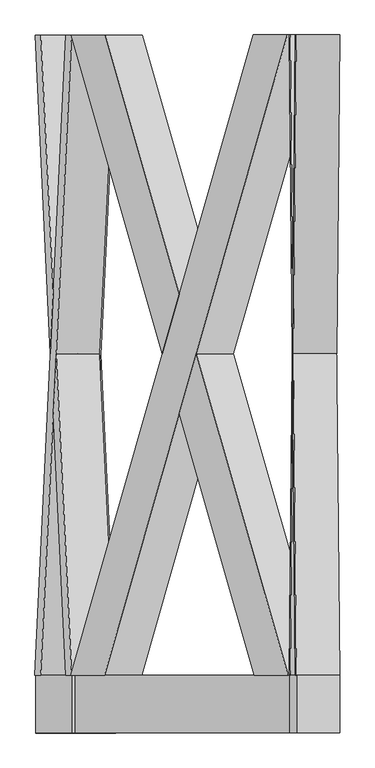
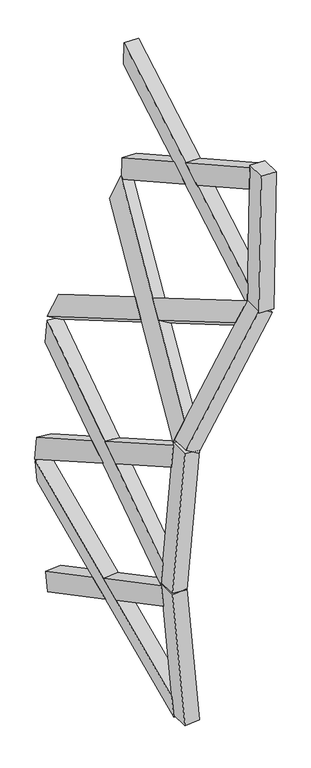
"""IFC4 building model written with IfcOpenShell, lengths in millimetres: proxy geometry."""

import ifcopenshell
import ifcopenshell.guid

model = None  # the IFC model being written
_history = None  # IfcOwnerHistory: only IFC2X3 demands one
_inside = {}  # id of a spatial element -> (the spatial element, [elements in it])
_under = {}  # id of a project, library or spatial element -> (it, [spatial elements below it])
_declared = {}  # id of a project -> (the project, [libraries it declares])
_typed = {}  # id of a type object -> (the type object, [elements of that type])
_made_of = {}  # id of a material, layer set ... -> (it, [elements and type objects made of it])


def new_model(schema):
    """Start an empty IFC model of exactly this schema.

    Asked for "IFC4X3", IfcOpenShell would pick the latest addendum, in which some entities
    have other attributes; the version numbers below select the first issue.
    IFC2X3 requires an IfcOwnerHistory on every rooted entity: one is made here for all.
    """
    global model, _history
    if schema == "IFC4X3":
        model = ifcopenshell.file(schema_version=(4, 3, 0, 0))
    else:
        model = ifcopenshell.file(schema=schema)
    _inside.clear()
    _under.clear()
    _declared.clear()
    _typed.clear()
    _made_of.clear()
    _history = None
    if model.schema == "IFC2X3":
        org = make("IfcOrganization", Name="unknown")
        user = make(
            "IfcPersonAndOrganization",
            ThePerson=make("IfcPerson", FamilyName="unknown"),
            TheOrganization=org,
        )
        app = make(
            "IfcApplication",
            ApplicationDeveloper=org,
            Version="unknown",
            ApplicationFullName="unknown",
            ApplicationIdentifier="unknown",
        )
        _history = make(
            "IfcOwnerHistory",
            OwningUser=user,
            OwningApplication=app,
            ChangeAction="ADDED",
            CreationDate=0,
        )
    return model


def make(cls, **values):
    """One entity of the class cls with the attributes given. An attribute that is None is left unset."""
    return model.create_entity(
        cls, **{name: value for name, value in values.items() if value is not None}
    )


def rooted(cls, **values):
    """An entity with a GlobalId (a new one), such as an element, a storey or a relation."""
    return make(cls, GlobalId=ifcopenshell.guid.new(), OwnerHistory=_history, **values)


def si_unit(unit_type, name, prefix=None):
    """IfcSIUnit, for example si_unit("LENGTHUNIT", "METRE", prefix="MILLI")."""
    return make("IfcSIUnit", UnitType=unit_type, Prefix=prefix, Name=name)


def assignment(units):
    """IfcUnitAssignment: the units of a project."""
    return None if units is None else make("IfcUnitAssignment", Units=units)


def point(xyz):
    """IfcCartesianPoint."""
    return None if xyz is None else make("IfcCartesianPoint", Coordinates=xyz)


def direction(xyz):
    """IfcDirection."""
    return None if xyz is None else make("IfcDirection", DirectionRatios=xyz)


def frame(location, z_axis=None, x_axis=None):
    """IfcAxis2Placement3D, a coordinate frame: its origin and axes. An axis left out is left unset."""
    return make(
        "IfcAxis2Placement3D",
        Location=point(location),
        Axis=direction(z_axis),
        RefDirection=direction(x_axis),
    )


def origin():
    """The frame at (0, 0, 0) with its axes left unset."""
    return frame((0.0, 0.0, 0.0))


def place(relative_to, where):
    """IfcLocalPlacement: puts the frame where relative to a parent placement (None: the world)."""
    return make(
        "IfcLocalPlacement", PlacementRelTo=relative_to, RelativePlacement=where
    )


def context(
    kind, dimensions, precision=None, world=None, true_north=None, identifier=None
):
    """IfcGeometricRepresentationContext, for example the 3D "Model" context."""
    return make(
        "IfcGeometricRepresentationContext",
        ContextIdentifier=identifier,
        ContextType=kind,
        CoordinateSpaceDimension=dimensions,
        Precision=precision,
        WorldCoordinateSystem=world,
        TrueNorth=true_north,
    )


def project(units=None, contexts=None):
    """IfcProject with its units and contexts."""
    return rooted(
        "IfcProject",
        Name="project",
        RepresentationContexts=contexts,
        UnitsInContext=assignment(units),
    )


def spatial(cls, under=None, at=None, **own):
    """A site, building, storey or space (cls), placed at a placement, below another one or the project."""
    s = rooted(cls, ObjectPlacement=at, **own)
    if under is not None:
        _under.setdefault(under.id(), (under, []))[1].append(s)
    return s


def polyline(points):
    """IfcPolyline through the points."""
    return make("IfcPolyline", Points=[point(p) for p in points])


def outline(outer, holes=None, kind="AREA"):
    """IfcArbitraryClosedProfileDef: a profile drawn as a closed curve; with holes, ...WithVoids."""
    if holes is None:
        return make("IfcArbitraryClosedProfileDef", ProfileType=kind, OuterCurve=outer)
    return make(
        "IfcArbitraryProfileDefWithVoids",
        ProfileType=kind,
        OuterCurve=outer,
        InnerCurves=holes,
    )


def extrude(swept, where, along, depth):
    """IfcExtrudedAreaSolid: the profile swept, set in the frame where, extruded along a direction by depth."""
    return make(
        "IfcExtrudedAreaSolid",
        SweptArea=swept,
        Position=where,
        ExtrudedDirection=direction(along),
        Depth=depth,
    )


def faces_of(points, faces, orient=None, outer=None):
    """IfcFace entities. A face is a list of loops; a loop is a list of indices into points, from 0.

    orient and outer hold one flag for each loop. By default every Orientation is true, the
    first loop of a face is its IfcFaceOuterBound and the others are IfcFaceBound.
    """
    made = []
    for i, loops in enumerate(faces):
        bounds = []
        for j, loop in enumerate(loops):
            is_outer = j == 0 if outer is None else outer[i][j]
            bounds.append(
                make(
                    "IfcFaceOuterBound" if is_outer else "IfcFaceBound",
                    Bound=make("IfcPolyLoop", Polygon=[points[k] for k in loop]),
                    Orientation=True if orient is None else orient[i][j],
                )
            )
        made.append(make("IfcFace", Bounds=bounds))
    return made


def faceted_brep(points, faces, orient=None, outer=None, voids=None):
    """IfcFacetedBrep: a solid bounded by flat faces; with voids (closed shells), ...WithVoids."""
    shared = [point(p) for p in points]
    hull = make("IfcClosedShell", CfsFaces=faces_of(shared, faces, orient, outer))
    if voids is None:
        return make("IfcFacetedBrep", Outer=hull)
    return make(
        "IfcFacetedBrepWithVoids",
        Outer=hull,
        Voids=[
            make(cls, CfsFaces=faces_of(shared, fs, o, b)) for cls, fs, o, b in voids
        ],
    )


def shape(context_of_items, identifier, shape_type, items):
    """IfcShapeRepresentation: the items that make up one representation, for example the "Body"."""
    return make(
        "IfcShapeRepresentation",
        ContextOfItems=context_of_items,
        RepresentationIdentifier=identifier,
        RepresentationType=shape_type,
        Items=items,
    )


def source(mapping_origin, context_of_items, identifier, shape_type, items):
    """IfcRepresentationMap: a shape defined once, which mapped items show again and again."""
    return make(
        "IfcRepresentationMap",
        MappingOrigin=mapping_origin,
        MappedRepresentation=shape(context_of_items, identifier, shape_type, items),
    )


def transform(
    local_origin,
    x_axis=None,
    y_axis=None,
    z_axis=None,
    scale=None,
    scale2=None,
    scale3=None,
    uniform=True,
):
    """IfcCartesianTransformationOperator3D, or its non-uniform kind. x_axis, y_axis, z_axis: its Axis1, 2, 3."""
    if uniform:
        return make(
            "IfcCartesianTransformationOperator3D",
            Axis1=direction(x_axis),
            Axis2=direction(y_axis),
            LocalOrigin=point(local_origin),
            Scale=scale,
            Axis3=direction(z_axis),
        )
    return make(
        "IfcCartesianTransformationOperator3DnonUniform",
        Axis1=direction(x_axis),
        Axis2=direction(y_axis),
        LocalOrigin=point(local_origin),
        Scale=scale,
        Axis3=direction(z_axis),
        Scale2=scale2,
        Scale3=scale3,
    )


def mapped(mapping_source, mapping_target):
    """IfcMappedItem: shows the shape of a source again, moved by a transform."""
    return make(
        "IfcMappedItem", MappingSource=mapping_source, MappingTarget=mapping_target
    )


def made_of(thing, what):
    """Note that an element or type object is made of a material, layer set ...; save() writes the relation."""
    if what is not None:
        _made_of.setdefault(what.id(), (what, []))[1].append(thing)
    return thing


def element(
    cls,
    number,
    at=None,
    inside=None,
    cuts=None,
    type_object=None,
    material=None,
    context=None,
    identifier="Body",
    shape_type=None,
    held_by="IfcProductDefinitionShape",
    body=None,
    shapes=None,
    **own,
):
    """One element of the class cls, such as IfcWall. Its Tag is "e" and its number.

    at: its placement. inside: the storey or other place that contains it. cuts: it is an
    opening in that element (IfcRelVoidsElement). A single representation is given by context,
    identifier, shape_type and body (its items); several are given by shapes. held_by: the class
    of the entity that holds the representations. save() writes the other relations.
    """
    e = rooted(cls, Tag="e%d" % number, ObjectPlacement=at, **own)
    if body is not None:
        shapes = [shape(context, identifier, shape_type, body)]
    if shapes is not None:
        e.Representation = make(held_by, Representations=shapes)
    if inside is not None:
        _inside.setdefault(inside.id(), (inside, []))[1].append(e)
    if cuts is not None:
        rooted(
            "IfcRelVoidsElement", RelatingBuildingElement=cuts, RelatedOpeningElement=e
        )
    if type_object is not None:
        _typed.setdefault(type_object.id(), (type_object, []))[1].append(e)
    return made_of(e, material)


def aggregate(whole, parts):
    """IfcRelAggregates: a whole, such as a stair, and the parts it consists of."""
    return rooted("IfcRelAggregates", RelatingObject=whole, RelatedObjects=parts)


def save(model, path):
    """Write the relations noted so far, then the file.

    IfcRelAggregates (storeys below a building ...), IfcRelContainedInSpatialStructure (elements
    in a storey), IfcRelDefinesByType, IfcRelAssociatesMaterial and IfcRelDeclares: one each for
    every whole, place, type object, material and project.
    """
    for whole, parts in _under.values():
        aggregate(whole, parts)
    for where, things in _inside.values():
        rooted(
            "IfcRelContainedInSpatialStructure",
            RelatedElements=things,
            RelatingStructure=where,
        )
    for kind, things in _typed.values():
        rooted("IfcRelDefinesByType", RelatedObjects=things, RelatingType=kind)
    for what, things in _made_of.values():
        rooted("IfcRelAssociatesMaterial", RelatedObjects=things, RelatingMaterial=what)
    for by, libraries in _declared.values():
        rooted("IfcRelDeclares", RelatingContext=by, RelatedDefinitions=libraries)
    model.write(path)


def generic_models_53b3c4f0(model_context):
    return source(origin(), model_context, "Body", "SolidModel", [
        faceted_brep([(851.9342949, 100.0, 5590.7273465), (847.943439, 100.0, 5362.0913606), (826.4701585, 2319.6837757, 4131.8879468), (830.4610145, 2319.6837757, 4360.5239327), (676.4930042, 2319.6837757, 4134.5058078), (687.1882687, 1214.1188776, 4747.2371016), (689.1836967, 1420.3854116, 4861.5550945), (680.4838602, 2319.6837757, 4363.1417937), (701.9571407, 100.0, 5593.3452074), (691.1791247, 1214.1188776, 4975.8730875), (689.1836967, 1007.8523437, 4861.5550945), (697.9662847, 100.0, 5364.7092215), (764.1722739, 1007.8523437, 4860.2461641), (762.1768459, 1214.1188776, 4745.9281711), (764.1722739, 1420.3854116, 4860.2461641), (766.1677019, 1214.1188776, 4974.564157)], [[[0, 1, 2, 3]], [[4, 5, 6, 7]], [[8, 9, 10, 11]], [[0, 8, 11, 1]], [[1, 11, 10, 12, 13, 5, 4, 2]], [[2, 4, 7, 3]], [[3, 7, 6, 14, 15, 9, 8, 0]], [[13, 12, 15, 14]], [[12, 10, 9, 15]], [[14, 6, 5, 13]]]),
        faceted_brep([(826.3874071, 100.0, 4127.1471207), (837.165423, 1214.1188776, 4744.6192406), (839.160851, 1007.8523437, 4858.9372336), (830.3782631, 100.0, 4355.7831066), (851.8515435, 2319.6837757, 5585.9865204), (841.156279, 1214.1188776, 4973.2552265), (839.160851, 1420.3854116, 4858.9372336), (847.8606875, 2319.6837757, 5357.3505345), (676.4102528, 100.0, 4129.7649816), (680.4011088, 100.0, 4358.4009675), (701.8743892, 2319.6837757, 5588.6043813), (697.8835333, 2319.6837757, 5359.9683954), (764.1722739, 1007.8523437, 4860.2461641), (766.1677019, 1214.1188776, 4974.564157), (764.1722739, 1420.3854116, 4860.2461641), (762.1768459, 1214.1188776, 4745.9281711)], [[[0, 1, 2, 3]], [[4, 5, 6, 7]], [[8, 9, 10, 11]], [[3, 9, 8, 0]], [[9, 3, 2, 12, 13, 5, 4, 10]], [[7, 11, 10, 4]], [[11, 7, 6, 14, 15, 1, 0, 8]], [[13, 12, 15, 14]], [[12, 2, 1, 15]], [[14, 6, 5, 13]]]),
        extrude(outline(polyline([(-148.3871943, 0.0), (-348.3871943, 0.0), (-348.3871943, 150.0), (-148.3871943, 150.0), (-148.3871943, 0.0)])), frame((826.9441665, 248.3871943, 4159.043847), z_axis=(0.017452406437288126, 0.0, 0.9998476951563913), x_axis=(0.0, 1.0, 0.0)), (0.0, 0.0, 1.0), 1460.0),
        faceted_brep([(801.7713834, 100.0, 4097.6398793), (683.9972078, 100.0, 3901.6307353), (50.2990945, 2319.6837757, 2846.9799674), (168.0732701, 2319.6837757, 3042.9891114), (-78.2760006, 2319.6837757, 2924.2356786), (237.3520171, 1214.1188776, 3449.5289125), (296.2391049, 1420.3854116, 3547.5334845), (39.498175, 2319.6837757, 3120.2448227), (673.1962883, 100.0, 4174.8955906), (355.1261927, 1214.1188776, 3645.5380565), (296.2391049, 1007.8523437, 3547.5334845), (555.4221127, 100.0, 3978.8864466), (360.5266524, 1007.8523437, 3508.9056289), (301.6395646, 1214.1188776, 3410.9010569), (360.5266524, 1420.3854116, 3508.9056289), (419.4137402, 1214.1188776, 3606.9102009)], [[[0, 1, 2, 3]], [[4, 5, 6, 7]], [[8, 9, 10, 11]], [[0, 8, 11, 1]], [[1, 11, 10, 12, 13, 5, 4, 2]], [[2, 4, 7, 3]], [[3, 7, 6, 14, 15, 9, 8, 0]], [[13, 12, 15, 14]], [[12, 10, 9, 15]], [[14, 6, 5, 13]]]),
        faceted_brep([(47.8570166, 100.0, 2842.9156673), (365.9271122, 1214.1188776, 3372.2732013), (424.8142, 1007.8523437, 3470.2777733), (165.6311922, 100.0, 3038.9248113), (799.3293055, 2319.6837757, 4093.5755792), (483.7012878, 1214.1188776, 3568.2823453), (424.8142, 1420.3854116, 3470.2777733), (681.5551299, 2319.6837757, 3897.5664352), (-80.7180785, 100.0, 2920.1713785), (37.0560971, 100.0, 3116.1805225), (670.7542104, 2319.6837757, 4170.8312904), (552.9800348, 2319.6837757, 3974.8221464), (360.5266524, 1007.8523437, 3508.9056289), (419.4137402, 1214.1188776, 3606.9102009), (360.5266524, 1420.3854116, 3508.9056289), (301.6395646, 1214.1188776, 3410.9010569)], [[[0, 1, 2, 3]], [[4, 5, 6, 7]], [[8, 9, 10, 11]], [[3, 9, 8, 0]], [[9, 3, 2, 12, 13, 5, 4, 10]], [[7, 11, 10, 4]], [[11, 7, 6, 14, 15, 1, 0, 8]], [[13, 12, 15, 14]], [[12, 2, 1, 15]], [[14, 6, 5, 13]]]),
        extrude(outline(polyline([(-148.3871943, 0.0), (-348.3871943, 0.0), (-348.3871943, 150.0000001), (-148.3871943, 150.0000001), (-148.3871943, 0.0)])), frame((64.2875476, 248.3871943, 2870.2606628), z_axis=(0.5150380749100576, 0.0, 0.8571673007021102), x_axis=(0.0, 1.0, 0.0)), (0.0, 0.0, 1.0), 1460.0),
        faceted_brep([(72.2656641, 100.0, 2874.3603457), (52.3356895, 100.0, 2646.5596936), (-54.8999352, 2319.6837757, 1420.8508939), (-34.9699606, 2319.6837757, 1648.651546), (-204.3291399, 2319.6837757, 1433.9242553), (-150.9179541, 1214.1188776, 2044.4169025), (-140.9529668, 1420.3854116, 2158.3172286), (-184.3991653, 2319.6837757, 1661.7249074), (-77.1635406, 100.0, 2887.4337071), (-130.9879795, 1214.1188776, 2272.2175546), (-140.9529668, 1007.8523437, 2158.3172286), (-97.0935152, 100.0, 2659.6330551), (-66.2383645, 1007.8523437, 2151.7805479), (-76.2033518, 1214.1188776, 2037.8802218), (-66.2383645, 1420.3854116, 2151.7805479), (-56.2733772, 1214.1188776, 2265.6808739)], [[[0, 1, 2, 3]], [[4, 5, 6, 7]], [[8, 9, 10, 11]], [[0, 8, 11, 1]], [[1, 11, 10, 12, 13, 5, 4, 2]], [[2, 4, 7, 3]], [[3, 7, 6, 14, 15, 9, 8, 0]], [[13, 12, 15, 14]], [[12, 10, 9, 15]], [[14, 6, 5, 13]]]),
        faceted_brep([(-55.3131884, 100.0, 1416.1273886), (-1.4887494, 1214.1188776, 2031.3435411), (8.4762379, 1007.8523437, 2145.2438672), (-35.3832138, 100.0, 1643.9280407), (71.852411, 2319.6837757, 2869.6368405), (18.4412252, 1214.1188776, 2259.1441932), (8.4762379, 1420.3854116, 2145.2438672), (51.9224364, 2319.6837757, 2641.8361884), (-204.7423931, 100.0, 1429.20075), (-184.8124185, 100.0, 1657.0014021), (-77.5767937, 2319.6837757, 2882.7102019), (-97.5067683, 2319.6837757, 2654.9095498), (-66.2383645, 1007.8523437, 2151.7805479), (-56.2733772, 1214.1188776, 2265.6808739), (-66.2383645, 1420.3854116, 2151.7805479), (-76.2033518, 1214.1188776, 2037.8802218)], [[[0, 1, 2, 3]], [[4, 5, 6, 7]], [[8, 9, 10, 11]], [[3, 9, 8, 0]], [[9, 3, 2, 12, 13, 5, 4, 10]], [[7, 11, 10, 4]], [[11, 7, 6, 14, 15, 1, 0, 8]], [[13, 12, 15, 14]], [[12, 2, 1, 15]], [[14, 6, 5, 13]]]),
        extrude(outline(polyline([(-148.3871943, 0.0), (-348.3871943, 0.0), (-348.3871943, 150.0), (-148.3871943, 150.0), (-148.3871943, 0.0)])), frame((-52.5327821, 248.3871943, 1447.9075785), z_axis=(0.08715574274765968, 0.0, 0.9961946980917454), x_axis=(0.0, 1.0, 0.0)), (0.0, 0.0, 1.0), 1460.0),
        faceted_brep([(-50.0838438, 100.0, 1432.9894479), (-30.1538692, 100.0, 1205.1887958), (77.0817555, 2319.6837757, -20.5200039), (57.1517809, 2319.6837757, 207.2806482), (-72.3474492, 2319.6837757, -33.5933653), (-125.758635, 1214.1188776, 576.8992819), (-135.7236223, 1420.3854116, 690.799608), (-92.2774238, 2319.6837757, 194.2072868), (-199.5130485, 100.0, 1419.9160865), (-145.6886096, 1214.1188776, 804.699934), (-135.7236223, 1007.8523437, 690.799608), (-179.5830739, 100.0, 1192.1154344), (-61.0090199, 1007.8523437, 697.3362887), (-51.0440326, 1214.1188776, 583.4359626), (-61.0090199, 1420.3854116, 697.3362887), (-70.9740072, 1214.1188776, 811.2366147)], [[[0, 1, 2, 3]], [[4, 5, 6, 7]], [[8, 9, 10, 11]], [[0, 8, 11, 1]], [[1, 11, 10, 12, 13, 5, 4, 2]], [[2, 4, 7, 3]], [[3, 7, 6, 14, 15, 9, 8, 0]], [[13, 12, 15, 14]], [[12, 10, 9, 15]], [[14, 6, 5, 13]]]),
        faceted_brep([(77.4950087, 100.0, -25.2435092), (23.6705697, 1214.1188776, 589.9726433), (13.7055824, 1007.8523437, 703.8729694), (57.5650341, 100.0, 202.5571429), (-49.6705907, 2319.6837757, 1428.2659427), (3.7405951, 1214.1188776, 817.7732954), (13.7055824, 1420.3854116, 703.8729694), (-29.7406161, 2319.6837757, 1200.4652906), (-71.934196, 100.0, -38.3168706), (-91.8641706, 100.0, 189.4837815), (-199.0997954, 2319.6837757, 1415.1925813), (-179.1698208, 2319.6837757, 1187.3919292), (-61.0090199, 1007.8523437, 697.3362887), (-70.9740072, 1214.1188776, 811.2366147), (-61.0090199, 1420.3854116, 697.3362887), (-51.0440326, 1214.1188776, 583.4359626)], [[[0, 1, 2, 3]], [[4, 5, 6, 7]], [[8, 9, 10, 11]], [[3, 9, 8, 0]], [[9, 3, 2, 12, 13, 5, 4, 10]], [[7, 11, 10, 4]], [[11, 7, 6, 14, 15, 1, 0, 8]], [[13, 12, 15, 14]], [[12, 2, 1, 15]], [[14, 6, 5, 13]]]),
        extrude(outline(polyline([(-148.3871943, 0.0), (-348.3871943, 0.0), (-348.3871943, 150.0000001), (-148.3871943, 150.0000001), (-148.3871943, 0.0)])), frame((74.7146024, 248.3871943, 6.5366807), z_axis=(-0.08715574274765647, 0.0, 0.9961946980917458), x_axis=(0.0, 1.0, 0.0)), (0.0, 0.0, 1.0), 1460.0),
    ])


if __name__ == "__main__":
    model = new_model("IFC4")
    model_context = context("Model", 3, world=origin())
    ifc_project = project(units=[si_unit("LENGTHUNIT", "METRE", prefix="MILLI")], contexts=[model_context])
    site = spatial("IfcSite", under=ifc_project)
    building = spatial("IfcBuilding", under=site)
    placement = place(None, origin())
    generic_models_shape = generic_models_53b3c4f0(model_context)
    element("IfcBuildingElementProxy", 1, Name="Generic Models", at=placement, inside=building, context=model_context, shape_type="MappedRepresentation", body=[
        mapped(generic_models_shape, transform((0.0, 0.0, 0.0), x_axis=(1.0, 0.0, 0.0), y_axis=(0.0, 1.0, 0.0), z_axis=(0.0, 0.0, 1.0))),
    ])
    save(model, "model.ifc")
